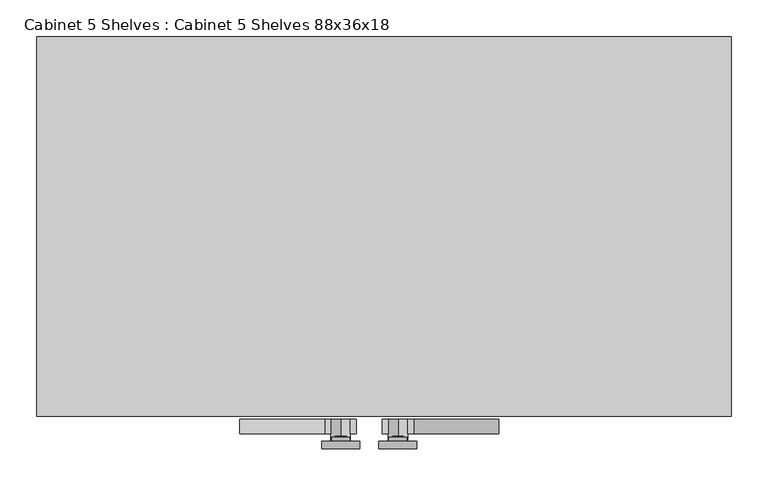
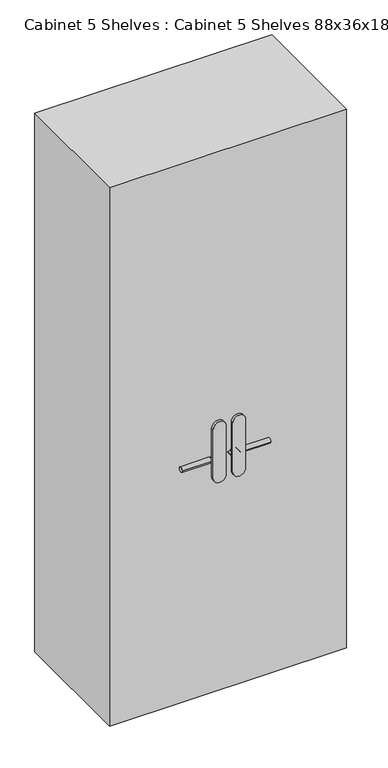
"""IFC4 building model written with IfcOpenShell, lengths in millimetres: furniture geometry, Cabinet 5 Shelves : Cabinet 5 Shelves 88x36x18."""

from ifc_helpers import new_model, si_unit, point, frame, frame_2d, origin, place, context, project, spatial, polyline, circle_curve, trimmed, segment, composite_curve, outline, extrude, source, transform, mapped, element, save


def cabinet_5_shelves_cabinet_5_shelves_88x36x18_38a0d59b(model_context):
    return source(origin(), model_context, "Body", "SweptSolid", [
        extrude(outline(composite_curve([segment(trimmed(circle_curve(frame_2d((-430.4243518, 998.6965521)), 10.0), [point((-440.4243518, 998.6965521))], [point((-420.4243518, 998.6965521))], False, "CARTESIAN"), True, "CONTINUOUS"), segment(trimmed(circle_curve(frame_2d((-430.4243518, 998.6965521)), 10.0), [point((-420.4243518, 998.6965521))], [point((-440.4243518, 998.6965521))], False, "CARTESIAN"), True, "CONTINUOUS")], self_intersect=False)), frame((120.466789, 0.0, 0.0), z_axis=(1.0, 0.0, 0.0), x_axis=(0.0, 1.0, 0.0)), (0.0, 0.0, 1.0), 115.0),
        extrude(outline(polyline([(77.566789, -420.4243518), (120.466789, -420.4243518), (120.466789, -440.4243518), (77.566789, -440.4243518), (77.566789, -420.4243518)])), frame((0.0, 0.0, 996.2215521), z_axis=(0.0, 0.0, 1.0), x_axis=(1.0, 0.0, 0.0)), (0.0, 0.0, 1.0), 4.95),
        extrude(outline(composite_curve([segment(trimmed(circle_curve(frame_2d((998.6965521, 98.916789)), 13.3), [point((985.3965521, 98.916789))], [point((1011.9965521, 98.916789))], False, "CARTESIAN"), True, "CONTINUOUS"), segment(trimmed(circle_curve(frame_2d((998.6965521, 98.916789)), 13.3), [point((1011.9965521, 98.916789))], [point((985.3965521, 98.916789))], False, "CARTESIAN"), True, "CONTINUOUS")], self_intersect=False)), frame((0.0, -450.4243518, 0.0), z_axis=(0.0, 1.0, 0.0), x_axis=(0.0, 0.0, 1.0)), (0.0, 0.0, 1.0), 30.0),
        extrude(outline(composite_curve([segment(trimmed(circle_curve(frame_2d((1097.3982613, 98.7060522)), 7.2), [point((1097.3982613, 105.9060522))], [point((1097.3982613, 91.5060522))], False, "CARTESIAN"), True, "CONTINUOUS"), segment(trimmed(circle_curve(frame_2d((1097.3982613, 98.7060522)), 7.2), [point((1097.3982613, 91.5060522))], [point((1097.3982613, 105.9060522))], False, "CARTESIAN"), True, "CONTINUOUS")], self_intersect=False)), frame((0.0, -445.4243518, 0.0), z_axis=(0.0, 1.0, 0.0), x_axis=(0.0, 0.0, 1.0)), (0.0, 0.0, 1.0), 2.0),
        extrude(outline(composite_curve([segment(polyline([(1123.5388185, 86.3144902), (1087.2388185, 86.3144902)]), True, "CONTINUOUS"), segment(trimmed(circle_curve(frame_2d((1090.6541929, 98.6144902)), 12.7653743), [point((1087.2388185, 86.3144902))], [point((1087.2388185, 110.9144902))], False, "CARTESIAN"), True, "CONTINUOUS"), segment(polyline([(1087.2388185, 110.9144902), (1123.5388185, 110.9144902)]), True, "CONTINUOUS"), segment(trimmed(circle_curve(frame_2d((1121.0369529, 98.6144902)), 12.5518657), [point((1123.5388185, 110.9144902))], [point((1123.5388185, 86.3144902))], False, "CARTESIAN"), True, "CONTINUOUS")], self_intersect=False)), frame((0.0, -450.4243518, 0.0), z_axis=(0.0, 1.0, 0.0), x_axis=(0.0, 0.0, 1.0)), (0.0, 0.0, 1.0), 5.0),
        extrude(outline(composite_curve([segment(trimmed(circle_curve(frame_2d((1144.9482631, 98.6848857)), 25.775), [point((1144.9482631, 124.4598857))], [point((1144.9482631, 72.9098857))], False, "CARTESIAN"), True, "CONTINUOUS"), segment(polyline([(1144.9482631, 72.9098857), (940.8482631, 72.9098857)]), True, "CONTINUOUS"), segment(trimmed(circle_curve(frame_2d((940.8482631, 98.6848857)), 25.775), [point((940.8482631, 72.9098857))], [point((940.8482631, 124.4598857))], False, "CARTESIAN"), True, "CONTINUOUS"), segment(polyline([(940.8482631, 124.4598857), (1144.9482631, 124.4598857)]), True, "CONTINUOUS")], self_intersect=False)), frame((0.0, -460.4243518, 0.0), z_axis=(0.0, 1.0, 0.0), x_axis=(0.0, 0.0, 1.0)), (0.0, 0.0, 1.0), 10.0),
        extrude(outline(composite_curve([segment(trimmed(circle_curve(frame_2d((-430.4243518, 998.6965521)), 10.0), [point((-440.4243518, 998.6965521))], [point((-420.4243518, 998.6965521))], False, "CARTESIAN"), True, "CONTINUOUS"), segment(trimmed(circle_curve(frame_2d((-430.4243518, 998.6965521)), 10.0), [point((-420.4243518, 998.6965521))], [point((-440.4243518, 998.6965521))], False, "CARTESIAN"), True, "CONTINUOUS")], self_intersect=False)), frame((-115.6472298, 0.0, 0.0), z_axis=(1.0, 0.0, 0.0), x_axis=(0.0, 1.0, 0.0)), (0.0, 0.0, 1.0), 115.0),
        extrude(outline(polyline([(-0.6472298, -420.4243518), (42.2527702, -420.4243518), (42.2527702, -440.4243518), (-0.6472298, -440.4243518), (-0.6472298, -420.4243518)])), frame((0.0, 0.0, 996.2215521), z_axis=(0.0, 0.0, 1.0), x_axis=(1.0, 0.0, 0.0)), (0.0, 0.0, 1.0), 4.95),
        extrude(outline(composite_curve([segment(trimmed(circle_curve(frame_2d((998.6965521, 20.9027702)), 13.3), [point((985.3965521, 20.9027702))], [point((1011.9965521, 20.9027702))], False, "CARTESIAN"), True, "CONTINUOUS"), segment(trimmed(circle_curve(frame_2d((998.6965521, 20.9027702)), 13.3), [point((1011.9965521, 20.9027702))], [point((985.3965521, 20.9027702))], False, "CARTESIAN"), True, "CONTINUOUS")], self_intersect=False)), frame((0.0, -450.4243518, 0.0), z_axis=(0.0, 1.0, 0.0), x_axis=(0.0, 0.0, 1.0)), (0.0, 0.0, 1.0), 30.0),
        extrude(outline(composite_curve([segment(trimmed(circle_curve(frame_2d((1097.3982613, 21.113507)), 7.2), [point((1097.3982613, 13.913507))], [point((1097.3982613, 28.313507))], False, "CARTESIAN"), True, "CONTINUOUS"), segment(trimmed(circle_curve(frame_2d((1097.3982613, 21.113507)), 7.2), [point((1097.3982613, 28.313507))], [point((1097.3982613, 13.913507))], False, "CARTESIAN"), True, "CONTINUOUS")], self_intersect=False)), frame((0.0, -445.4243518, 0.0), z_axis=(0.0, 1.0, 0.0), x_axis=(0.0, 0.0, 1.0)), (0.0, 0.0, 1.0), 2.0),
        extrude(outline(composite_curve([segment(trimmed(circle_curve(frame_2d((1121.0369529, 21.205069)), 12.5518657), [point((1123.5388185, 33.505069))], [point((1123.5388185, 8.905069))], False, "CARTESIAN"), True, "CONTINUOUS"), segment(polyline([(1123.5388185, 8.905069), (1087.2388185, 8.905069)]), True, "CONTINUOUS"), segment(trimmed(circle_curve(frame_2d((1090.6541929, 21.205069)), 12.7653743), [point((1087.2388185, 8.905069))], [point((1087.2388185, 33.505069))], False, "CARTESIAN"), True, "CONTINUOUS"), segment(polyline([(1087.2388185, 33.505069), (1123.5388185, 33.505069)]), True, "CONTINUOUS")], self_intersect=False)), frame((0.0, -450.4243518, 0.0), z_axis=(0.0, 1.0, 0.0), x_axis=(0.0, 0.0, 1.0)), (0.0, 0.0, 1.0), 5.0),
        extrude(outline(composite_curve([segment(polyline([(1144.9482631, -4.6403265), (940.8482631, -4.6403265)]), True, "CONTINUOUS"), segment(trimmed(circle_curve(frame_2d((940.8482631, 21.1346735)), 25.775), [point((940.8482631, -4.6403265))], [point((940.8482631, 46.9096735))], False, "CARTESIAN"), True, "CONTINUOUS"), segment(polyline([(940.8482631, 46.9096735), (1144.9482631, 46.9096735)]), True, "CONTINUOUS"), segment(trimmed(circle_curve(frame_2d((1144.9482631, 21.1346735)), 25.775), [point((1144.9482631, 46.9096735))], [point((1144.9482631, -4.6403265))], False, "CARTESIAN"), True, "CONTINUOUS")], self_intersect=False)), frame((0.0, -460.4243518, 0.0), z_axis=(0.0, 1.0, 0.0), x_axis=(0.0, 0.0, 1.0)), (0.0, 0.0, 1.0), 10.0),
        extrude(outline(polyline([(50.8, 53.7365227), (63.5, 53.7365227), (63.5, -359.6984374), (50.8, -359.6984374), (50.8, 53.7365227)])), frame((0.0, 0.0, 28.3642625), z_axis=(0.0, 0.0, 1.0), x_axis=(1.0, 0.0, 0.0)), (0.0, 0.0, 1.0), 479.6393545),
        extrude(outline(polyline([(50.8, 53.7365227), (63.5, 53.7365227), (63.5, -359.6984374), (50.8, -359.6984374), (50.8, 53.7365227)])), frame((0.0, 0.0, 533.3990958), z_axis=(0.0, 0.0, 1.0), x_axis=(1.0, 0.0, 0.0)), (0.0, 0.0, 1.0), 406.403617),
        extrude(outline(polyline([(50.8, 53.7365227), (63.5, 53.7365227), (63.5, -359.6984374), (50.8, -359.6984374), (50.8, 53.7365227)])), frame((0.0, 0.0, 965.1981915), z_axis=(0.0, 0.0, 1.0), x_axis=(1.0, 0.0, 0.0)), (0.0, 0.0, 1.0), 406.403617),
        extrude(outline(polyline([(50.8, 53.7365227), (63.5, 53.7365227), (63.5, -359.6984374), (50.8, -359.6984374), (50.8, 53.7365227)])), frame((0.0, 0.0, 1396.9972873), z_axis=(0.0, 0.0, 1.0), x_axis=(1.0, 0.0, 0.0)), (0.0, 0.0, 1.0), 406.403617),
        extrude(outline(polyline([(50.8, 53.7365227), (63.5, 53.7365227), (63.5, -359.6984374), (50.8, -359.6984374), (50.8, 53.7365227)])), frame((0.0, 0.0, 1828.796383), z_axis=(0.0, 0.0, 1.0), x_axis=(1.0, 0.0, 0.0)), (0.0, 0.0, 1.0), 428.3137654),
        extrude(outline(polyline([(-370.4395669, 53.7365227), (528.3884228, 53.7365227), (528.3884228, -359.6984374), (-370.4395669, -359.6984374), (-370.4395669, 53.7365227)])), frame((0.0, 0.0, 508.003617), z_axis=(0.0, 0.0, 1.0), x_axis=(1.0, 0.0, 0.0)), (0.0, 0.0, 1.0), 25.3954788),
        extrude(outline(polyline([(-370.4395669, 76.1990856), (528.3884228, 76.1990856), (528.3884228, -381.0), (-370.4395669, -381.0), (-370.4395669, 76.1990856)])), frame((0.0, 0.0, 939.8027127), z_axis=(0.0, 0.0, 1.0), x_axis=(1.0, 0.0, 0.0)), (0.0, 0.0, 1.0), 25.3954788),
        extrude(outline(polyline([(-370.4395669, 76.1990856), (528.3884228, 76.1990856), (528.3884228, -381.0), (-370.4395669, -381.0), (-370.4395669, 76.1990856)])), frame((0.0, 0.0, 1371.6018085), z_axis=(0.0, 0.0, 1.0), x_axis=(1.0, 0.0, 0.0)), (0.0, 0.0, 1.0), 25.3954788),
        extrude(outline(polyline([(-370.4395669, 76.1990856), (528.3884228, 76.1990856), (528.3884228, -381.0), (-370.4395669, -381.0), (-370.4395669, 76.1990856)])), frame((0.0, 0.0, 1803.4009042), z_axis=(0.0, 0.0, 1.0), x_axis=(1.0, 0.0, 0.0)), (0.0, 0.0, 1.0), 25.3954788),
        extrude(outline(polyline([(550.3751321, -416.5471903), (-390.8222753, -416.5471903), (-390.8222753, 97.5006482), (550.3751321, 97.5006482), (550.3751321, -416.5471903)])), frame((0.0, 0.0, 9.2146696), z_axis=(0.0, 0.0, 1.0), x_axis=(1.0, 0.0, 0.0)), (0.0, 0.0, 1.0), 2260.5954788),
    ])


if __name__ == "__main__":
    model = new_model("IFC4")
    model_context = context("Model", 3, world=origin())
    ifc_project = project(units=[si_unit("LENGTHUNIT", "METRE", prefix="MILLI")], contexts=[model_context])
    site = spatial("IfcSite", under=ifc_project)
    building = spatial("IfcBuilding", under=site)
    placement = place(None, origin())
    cabinet_5_shelves_cabinet_5_shelves_88x36x18_shape = cabinet_5_shelves_cabinet_5_shelves_88x36x18_38a0d59b(model_context)
    element("IfcFurniture", 1, ObjectType="Cabinet 5 Shelves : Cabinet 5 Shelves 88x36x18", at=placement, inside=building, context=model_context, shape_type="MappedRepresentation", body=[
        mapped(cabinet_5_shelves_cabinet_5_shelves_88x36x18_shape, transform((0.0, 0.0, 0.0), x_axis=(1.0, 0.0, 0.0), y_axis=(0.0, 1.0, 0.0), z_axis=(0.0, 0.0, 1.0))),
    ])
    save(model, "model.ifc")
